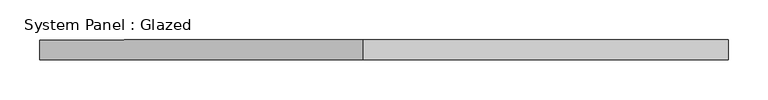
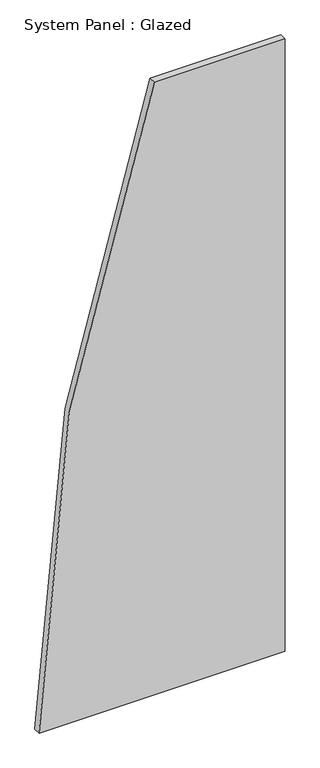
"""IFC4 building model written with IfcOpenShell, lengths in millimetres: plate geometry, System Panel : Glazed."""

from ifc_helpers import new_model, si_unit, point, frame, frame_2d, origin, place, context, project, spatial, polyline, circle_curve, trimmed, segment, composite_curve, outline, extrude, source, transform, mapped, element, save


def system_panel_glazed_1a451ce6(model_context):
    return source(origin(), model_context, "Body", "SweptSolid", [
        extrude(outline(composite_curve([segment(polyline([(0.0, -433.1998986), (0.0, 433.1998986), (2276.8533559, 433.1998986), (2276.8533559, -26.9562162)]), True, "CONTINUOUS"), segment(trimmed(circle_curve(frame_2d((-50.0, 6430.6366506)), 6864.0186607), [point((2276.8533559, -26.9562162))], [point((0.0, -433.1998986))], False, "CARTESIAN"), True, "CONTINUOUS")], self_intersect=False)), frame((0.0, 24.5, 0.0), z_axis=(0.0, 1.0, 0.0), x_axis=(0.0, 0.0, 1.0)), (0.0, 0.0, 1.0), 25.0),
    ])


if __name__ == "__main__":
    model = new_model("IFC4")
    model_context = context("Model", 3, world=origin())
    ifc_project = project(units=[si_unit("LENGTHUNIT", "METRE", prefix="MILLI")], contexts=[model_context])
    site = spatial("IfcSite", under=ifc_project)
    building = spatial("IfcBuilding", under=site)
    placement = place(None, origin())
    system_panel_glazed_shape = system_panel_glazed_1a451ce6(model_context)
    element("IfcPlate", 1, ObjectType="System Panel : Glazed", at=placement, inside=building, context=model_context, shape_type="MappedRepresentation", body=[
        mapped(system_panel_glazed_shape, transform((0.0, 0.0, 0.0), x_axis=(1.0, 0.0, 0.0), y_axis=(0.0, 1.0, 0.0), z_axis=(0.0, 0.0, 1.0))),
    ])
    save(model, "model.ifc")
